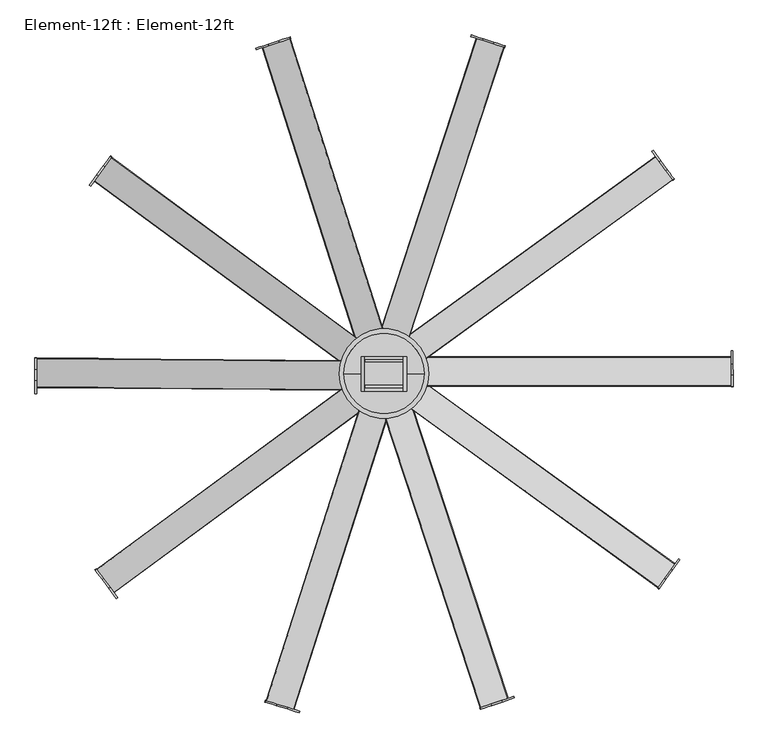
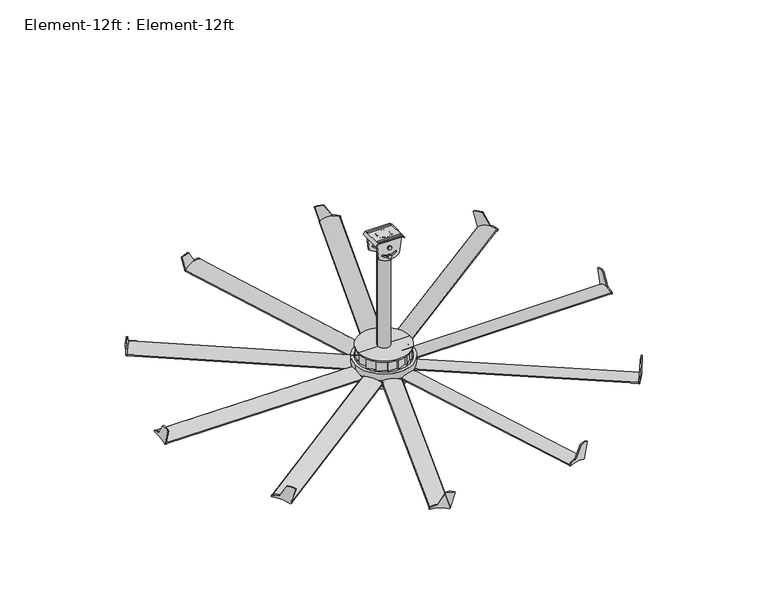
"""IFC4 building model written with IfcOpenShell, lengths in millimetres: proxy geometry, Element-12ft : Element-12ft."""

from ifc_helpers import new_model, si_unit, point, frame, frame_2d, origin, place, context, project, spatial, polyline, circle_curve, ellipse_curve, trimmed, segment, composite_curve, outline, extrude, source, transform, mapped, element, save
from ifc_brep_helpers import plane_surface, cylinder_surface, revolved_surface, advanced_brep


def element_12ft_element_12ft_73409b62(model_context):
    return source(origin(), model_context, "Body", "SolidModel", [
        extrude(outline(composite_curve([segment(trimmed(circle_curve(frame_2d((13.7101403, 1826.5417395)), 241.3), [point((-227.5898597, 1826.5417395))], [point((255.0101403, 1826.5417395))], False, "CARTESIAN"), True, "CONTINUOUS"), segment(trimmed(circle_curve(frame_2d((13.7101403, 1826.5417395)), 241.3), [point((255.0101403, 1826.5417395))], [point((-227.5898597, 1826.5417395))], False, "CARTESIAN"), True, "CONTINUOUS")], self_intersect=False), holes=[composite_curve([segment(trimmed(circle_curve(frame_2d((13.7101403, 1826.5417395)), 215.9), [point((-202.1898597, 1826.5417395))], [point((229.6101403, 1826.5417395))], True, "CARTESIAN"), True, "CONTINUOUS"), segment(trimmed(circle_curve(frame_2d((13.7101403, 1826.5417395)), 215.9), [point((229.6101403, 1826.5417395))], [point((-202.1898597, 1826.5417395))], True, "CARTESIAN"), True, "CONTINUOUS")], self_intersect=False)]), frame((0.0, 0.0, -1186.9314775), z_axis=(0.0, 0.0, 1.0), x_axis=(1.0, 0.0, 0.0)), (0.0, 0.0, 1.0), 45.0863827),
        extrude(outline(composite_curve([segment(polyline([(-111.4788326, 0.0), (4.5255645, 0.0)]), True, "CONTINUOUS"), segment(trimmed(circle_curve(frame_2d((114.608858, -67.6092515)), 129.1872378), [point((4.5255645, 0.0))], [point((50.4989051, 44.5480324))], False, "CARTESIAN"), True, "CONTINUOUS"), segment(trimmed(circle_curve(frame_2d((53.4294796, 39.4211328)), 5.9053676), [point((50.4989051, 44.5480324))], [point((57.217206, 34.8905153))], False, "CARTESIAN"), True, "CONTINUOUS"), segment(trimmed(circle_curve(frame_2d((272.6459992, -137.1176536)), 275.6744005), [point((57.217206, 34.8905153))], [point((-0.2892894, -98.3529352))], True, "CARTESIAN"), True, "CONTINUOUS"), segment(trimmed(circle_curve(frame_2d((-5.1020283, -96.0567507)), 5.3324404), [point((-0.2892894, -98.3529352))], [point((-9.8717745, -98.4409576))], False, "CARTESIAN"), True, "CONTINUOUS"), segment(polyline([(-9.8717745, -98.4409576), (-140.9987182, -63.3055989)]), True, "CONTINUOUS"), segment(trimmed(circle_curve(frame_2d((3.3871789, -92.0983746)), 147.2287716), [point((-140.9987182, -63.3055989))], [point((-111.4788326, 0.0))], False, "CARTESIAN"), True, "CONTINUOUS")], self_intersect=False)), frame((-1502.7480916, 715.9723506, -1121.1097198), z_axis=(0.8010020307140027, 0.5986616296306655, 0.0), x_axis=(-0.3083335332474969, 0.41254654389798817, -0.8571673007021092)), (0.0, 0.0, 1.0), 9.0687534),
        extrude(outline(composite_curve([segment(trimmed(circle_curve(frame_2d((0.0, 275.6744005)), 275.6744005), [point((-273.2492733, 312.1601474))], [point((-253.9165105, 168.3301841))], True, "CARTESIAN"), True, "CONTINUOUS"), segment(trimmed(circle_curve(frame_2d((-259.8418462, 168.1466029)), 5.9281789), [point((-253.9165105, 168.3301841))], [point((-264.1020348, 164.0242131))], False, "CARTESIAN"), True, "CONTINUOUS"), segment(trimmed(circle_curve(frame_2d((-171.2637433, 253.859585)), 129.1872378), [point((-264.1020348, 164.0242131))], [point((-283.9819702, 316.9780745))], False, "CARTESIAN"), True, "CONTINUOUS"), segment(trimmed(circle_curve(frame_2d((-278.829429, 314.0928214)), 5.9053676), [point((-283.9819702, 316.9780745))], [point((-273.2492733, 312.1601474))], False, "CARTESIAN"), True, "CONTINUOUS")], self_intersect=False)), frame((-1344.3008225, 514.9339174, -1425.4337673), z_axis=(0.8054729333293024, 0.5926325621106973, 0.0), x_axis=(0.0, 0.0, -1.0)), (0.0, 0.0, 1.0), 1673.8103353),
        extrude(outline(composite_curve([segment(polyline([(-111.4788326, 0.0), (4.5255645, 0.0)]), True, "CONTINUOUS"), segment(trimmed(circle_curve(frame_2d((114.608858, -67.6092516)), 129.1872378), [point((4.5255645, 0.0))], [point((50.4989051, 44.5480324))], False, "CARTESIAN"), True, "CONTINUOUS"), segment(trimmed(circle_curve(frame_2d((53.4294797, 39.4211328)), 5.9053676), [point((50.4989051, 44.5480324))], [point((57.217206, 34.8905152))], False, "CARTESIAN"), True, "CONTINUOUS"), segment(trimmed(circle_curve(frame_2d((272.6459991, -137.1176536)), 275.6744005), [point((57.217206, 34.8905152))], [point((-0.2892894, -98.3529352))], True, "CARTESIAN"), True, "CONTINUOUS"), segment(trimmed(circle_curve(frame_2d((-5.1020284, -96.0567507)), 5.3324404), [point((-0.2892894, -98.3529352))], [point((-9.8717745, -98.4409576))], False, "CARTESIAN"), True, "CONTINUOUS"), segment(polyline([(-9.8717745, -98.4409576), (-140.9987182, -63.3055989)]), True, "CONTINUOUS"), segment(trimmed(circle_curve(frame_2d((3.3871789, -92.0983746)), 147.2287716), [point((-140.9987182, -63.3055989))], [point((-111.4788326, 0.0))], False, "CARTESIAN"), True, "CONTINUOUS")], self_intersect=False)), frame((-563.0962137, 37.7569592, -1121.1097198), z_axis=(0.2975732926521762, 0.9546989763795404, 0.0), x_axis=(-0.4917063229131237, 0.15326157579222482, -0.8571673007021086)), (0.0, 0.0, 1.0), 9.0687534),
        extrude(outline(composite_curve([segment(trimmed(circle_curve(frame_2d((0.0, 275.6744005)), 275.6744005), [point((-273.2492733, 312.1601474))], [point((-253.9165105, 168.330184))], True, "CARTESIAN"), True, "CONTINUOUS"), segment(trimmed(circle_curve(frame_2d((-259.8418462, 168.1466029)), 5.9281789), [point((-253.9165105, 168.330184))], [point((-264.1020348, 164.0242131))], False, "CARTESIAN"), True, "CONTINUOUS"), segment(trimmed(circle_curve(frame_2d((-171.2637433, 253.859585)), 129.1872378), [point((-264.1020348, 164.0242131))], [point((-283.9819702, 316.9780745))], False, "CARTESIAN"), True, "CONTINUOUS"), segment(trimmed(circle_curve(frame_2d((-278.829429, 314.0928214)), 5.9053676), [point((-283.9819702, 316.9780745))], [point((-273.2492733, 312.1601474))], False, "CARTESIAN"), True, "CONTINUOUS")], self_intersect=False)), frame((-316.8468798, -32.123326, -1425.4337673), z_axis=(0.3047307405575979, 0.9524385417228862, 0.0), x_axis=(0.0, 0.0, -1.0)), (0.0, 0.0, 1.0), 1673.8103353),
        extrude(outline(composite_curve([segment(polyline([(-111.4788326, 0.0), (4.5255645, 0.0)]), True, "CONTINUOUS"), segment(trimmed(circle_curve(frame_2d((114.608858, -67.6092516)), 129.1872378), [point((4.5255645, 0.0))], [point((50.498905, 44.5480323))], False, "CARTESIAN"), True, "CONTINUOUS"), segment(trimmed(circle_curve(frame_2d((53.4294797, 39.4211328)), 5.9053676), [point((50.498905, 44.5480323))], [point((57.217206, 34.8905152))], False, "CARTESIAN"), True, "CONTINUOUS"), segment(trimmed(circle_curve(frame_2d((272.6459991, -137.1176537)), 275.6744005), [point((57.217206, 34.8905152))], [point((-0.2892894, -98.3529352))], True, "CARTESIAN"), True, "CONTINUOUS"), segment(trimmed(circle_curve(frame_2d((-5.1020284, -96.0567507)), 5.3324404), [point((-0.2892894, -98.3529352))], [point((-9.8717745, -98.4409576))], False, "CARTESIAN"), True, "CONTINUOUS"), segment(polyline([(-9.8717745, -98.4409576), (-140.9987182, -63.3055989)]), True, "CONTINUOUS"), segment(trimmed(circle_curve(frame_2d((3.3871788, -92.0983746)), 147.2287716), [point((-140.9987182, -63.3055989))], [point((-111.4788326, 0.0))], False, "CARTESIAN"), True, "CONTINUOUS")], self_intersect=False)), frame((595.7472664, 39.6430625, -1121.1097198), z_axis=(-0.318993729761716, 0.9477568255479405, 0.0), x_axis=(-0.48813085091308106, -0.16429391648485422, -0.8571673007021087)), (0.0, 0.0, 1.0), 9.0687534),
        extrude(outline(composite_curve([segment(trimmed(circle_curve(frame_2d((0.0, 275.6744004)), 275.6744005), [point((-273.2492733, 312.1601474))], [point((-253.9165105, 168.3301839))], True, "CARTESIAN"), True, "CONTINUOUS"), segment(trimmed(circle_curve(frame_2d((-259.8418462, 168.1466028)), 5.9281789), [point((-253.9165105, 168.3301839))], [point((-264.1020348, 164.024213))], False, "CARTESIAN"), True, "CONTINUOUS"), segment(trimmed(circle_curve(frame_2d((-171.2637433, 253.8595849)), 129.1872378), [point((-264.1020348, 164.024213))], [point((-283.9819702, 316.9780744))], False, "CARTESIAN"), True, "CONTINUOUS"), segment(trimmed(circle_curve(frame_2d((-278.829429, 314.0928214)), 5.9053676), [point((-283.9819702, 316.9780744))], [point((-273.2492733, 312.1601474))], False, "CARTESIAN"), True, "CONTINUOUS")], self_intersect=False)), frame((836.1739082, 127.4896253, -1425.4337673), z_axis=(-0.3118710203518957, 0.9501244479880873, 0.0), x_axis=(0.0, 0.0, -1.0)), (0.0, 0.0, 1.0), 1673.8103353),
        extrude(outline(composite_curve([segment(polyline([(-111.4788326, -1e-07), (4.5255645, 0.0)]), True, "CONTINUOUS"), segment(trimmed(circle_curve(frame_2d((114.608858, -67.6092515)), 129.1872378), [point((4.5255645, 0.0))], [point((50.498905, 44.5480323))], False, "CARTESIAN"), True, "CONTINUOUS"), segment(trimmed(circle_curve(frame_2d((53.4294797, 39.4211328)), 5.9053676), [point((50.498905, 44.5480323))], [point((57.217206, 34.8905152))], False, "CARTESIAN"), True, "CONTINUOUS"), segment(trimmed(circle_curve(frame_2d((272.6459991, -137.1176537)), 275.6744005), [point((57.217206, 34.8905152))], [point((-0.2892894, -98.3529352))], True, "CARTESIAN"), True, "CONTINUOUS"), segment(trimmed(circle_curve(frame_2d((-5.1020284, -96.0567508)), 5.3324404), [point((-0.2892894, -98.3529352))], [point((-9.8717745, -98.4409576))], False, "CARTESIAN"), True, "CONTINUOUS"), segment(polyline([(-9.8717745, -98.4409576), (-140.9987182, -63.3055989)]), True, "CONTINUOUS"), segment(trimmed(circle_curve(frame_2d((3.3871788, -92.0983746)), 147.2287716), [point((-140.9987182, -63.3055989))], [point((-111.4788326, -1e-07))], False, "CARTESIAN"), True, "CONTINUOUS")], self_intersect=False)), frame((1533.1864807, 720.9135582, -1121.1097198), z_axis=(-0.8142783515184635, 0.5804746043095887, 0.0), x_axis=(-0.29896652273778856, -0.41938435460700535, -0.8571673007021098)), (0.0, 0.0, 1.0), 9.0687534),
        extrude(outline(composite_curve([segment(trimmed(circle_curve(frame_2d((0.0, 275.6744005)), 275.6744005), [point((-273.2492733, 312.1601474))], [point((-253.9165105, 168.330184))], True, "CARTESIAN"), True, "CONTINUOUS"), segment(trimmed(circle_curve(frame_2d((-259.8418462, 168.1466028)), 5.9281789), [point((-253.9165105, 168.330184))], [point((-264.1020348, 164.024213))], False, "CARTESIAN"), True, "CONTINUOUS"), segment(trimmed(circle_curve(frame_2d((-171.2637433, 253.8595849)), 129.1872378), [point((-264.1020348, 164.024213))], [point((-283.9819702, 316.9780745))], False, "CARTESIAN"), True, "CONTINUOUS"), segment(trimmed(circle_curve(frame_2d((-278.829429, 314.0928213)), 5.9053676), [point((-283.9819702, 316.9780745))], [point((-273.2492733, 312.1601474))], False, "CARTESIAN"), True, "CONTINUOUS")], self_intersect=False)), frame((1676.3794792, 933.0874347, -1425.4337673), z_axis=(-0.809898456706717, 0.5865701064869213, 0.0), x_axis=(0.0, 0.0, -1.0)), (0.0, 0.0, 1.0), 1673.8103353),
        extrude(outline(composite_curve([segment(trimmed(circle_curve(frame_2d((-3.3871789, -92.0983746)), 147.2287716), [point((111.4788325, 0.0))], [point((140.9987182, -63.3055989))], False, "CARTESIAN"), True, "CONTINUOUS"), segment(polyline([(140.9987182, -63.3055989), (9.8717745, -98.4409575)]), True, "CONTINUOUS"), segment(trimmed(circle_curve(frame_2d((5.1020284, -96.0567507)), 5.3324404), [point((9.8717745, -98.4409575))], [point((0.2892893, -98.3529351))], False, "CARTESIAN"), True, "CONTINUOUS"), segment(trimmed(circle_curve(frame_2d((-272.6459992, -137.1176536)), 275.6744005), [point((0.2892893, -98.3529351))], [point((-57.217206, 34.8905152))], True, "CARTESIAN"), True, "CONTINUOUS"), segment(trimmed(circle_curve(frame_2d((-53.4294796, 39.4211328)), 5.9053676), [point((-57.217206, 34.8905152))], [point((-50.4989051, 44.5480324))], False, "CARTESIAN"), True, "CONTINUOUS"), segment(trimmed(circle_curve(frame_2d((-114.608858, -67.6092515)), 129.1872378), [point((-50.4989051, 44.5480324))], [point((-4.5255645, 0.0))], False, "CARTESIAN"), True, "CONTINUOUS"), segment(polyline([(-4.5255645, 0.0), (111.4788325, 0.0)]), True, "CONTINUOUS")], self_intersect=False)), frame((1883.7356485, 1822.4792323, -1121.1097198), z_axis=(0.9999718306873226, 0.007505853172347088, 0.0), x_axis=(-0.0038658001684432107, 0.5150235666414871, 0.8571673007021089)), (0.0, 0.0, 1.0), 9.0687534),
        extrude(outline(composite_curve([segment(trimmed(circle_curve(frame_2d((1764.2865072, -1146.6043383)), 5.9053676), [point((1766.2191811, -1152.184494))], [point((1761.401254, -1141.4517971))], False, "CARTESIAN"), True, "CONTINUOUS"), segment(trimmed(circle_curve(frame_2d((1824.5197436, -1254.170024)), 129.1872378), [point((1761.401254, -1141.4517971))], [point((1914.3551155, -1161.3317325))], False, "CARTESIAN"), True, "CONTINUOUS"), segment(trimmed(circle_curve(frame_2d((1910.2327256, -1165.5919211)), 5.9281789), [point((1914.3551155, -1161.3317325))], [point((1910.0491445, -1171.5172568))], False, "CARTESIAN"), True, "CONTINUOUS"), segment(trimmed(circle_curve(frame_2d((1802.7049281, -1425.4337673)), 275.6744005), [point((1910.0491445, -1171.5172568))], [point((1766.2191811, -1152.184494))], True, "CARTESIAN"), True, "CONTINUOUS")], self_intersect=False)), frame((210.5107462, 0.0, 0.0), z_axis=(1.0, 0.0, 0.0), x_axis=(0.0, 1.0, 0.0)), (0.0, 0.0, 1.0), 1673.8103353),
        extrude(outline(composite_curve([segment(trimmed(circle_curve(frame_2d((-3.3871788, -92.0983747)), 147.2287716), [point((111.4788326, -1e-07))], [point((140.9987182, -63.305599))], False, "CARTESIAN"), True, "CONTINUOUS"), segment(polyline([(140.9987182, -63.305599), (9.8717745, -98.4409576)]), True, "CONTINUOUS"), segment(trimmed(circle_curve(frame_2d((5.1020284, -96.0567507)), 5.3324404), [point((9.8717745, -98.4409576))], [point((0.2892894, -98.3529352))], False, "CARTESIAN"), True, "CONTINUOUS"), segment(trimmed(circle_curve(frame_2d((-272.6459991, -137.1176537)), 275.6744005), [point((0.2892894, -98.3529352))], [point((-57.2172059, 34.8905152))], True, "CARTESIAN"), True, "CONTINUOUS"), segment(trimmed(circle_curve(frame_2d((-53.4294796, 39.4211328)), 5.9053676), [point((-57.2172059, 34.8905152))], [point((-50.498905, 44.5480323))], False, "CARTESIAN"), True, "CONTINUOUS"), segment(trimmed(circle_curve(frame_2d((-114.608858, -67.6092516)), 129.1872378), [point((-50.498905, 44.5480323))], [point((-4.5255645, 0.0))], False, "CARTESIAN"), True, "CONTINUOUS"), segment(polyline([(-4.5255645, 0.0), (111.4788326, -1e-07)]), True, "CONTINUOUS")], self_intersect=False)), frame((1530.5678817, 2920.325303, -1121.1097198), z_axis=(0.8054729333293066, 0.5926325621106913, 0.0), x_axis=(-0.30522833391850684, 0.414849228974085, 0.857167300702109)), (0.0, 0.0, 1.0), 9.0687534),
        extrude(outline(composite_curve([segment(trimmed(circle_curve(frame_2d((278.829429, 314.0928214)), 5.9053676), [point((273.2492733, 312.1601474))], [point((283.9819702, 316.9780745))], False, "CARTESIAN"), True, "CONTINUOUS"), segment(trimmed(circle_curve(frame_2d((171.2637433, 253.859585)), 129.1872378), [point((283.9819702, 316.9780745))], [point((264.1020348, 164.024213))], False, "CARTESIAN"), True, "CONTINUOUS"), segment(trimmed(circle_curve(frame_2d((259.8418462, 168.1466029)), 5.9281789), [point((264.1020348, 164.024213))], [point((253.9165105, 168.3301841))], False, "CARTESIAN"), True, "CONTINUOUS"), segment(trimmed(circle_curve(frame_2d((0.0, 275.6744005)), 275.6744005), [point((253.9165105, 168.3301841))], [point((273.2492733, 312.1601474))], True, "CARTESIAN"), True, "CONTINUOUS")], self_intersect=False)), frame((25.3222689, 2146.114687, -1425.4337673), z_axis=(0.8098984567067813, 0.5865701064868325, 0.0), x_axis=(0.0, 0.0, 1.0)), (0.0, 0.0, 1.0), 1673.8103353),
        extrude(outline(composite_curve([segment(trimmed(circle_curve(frame_2d((-3.3871788, -92.0983746)), 147.2287716), [point((111.4788326, 0.0))], [point((140.9987182, -63.3055989))], False, "CARTESIAN"), True, "CONTINUOUS"), segment(polyline([(140.9987182, -63.3055989), (9.8717744, -98.4409575)]), True, "CONTINUOUS"), segment(trimmed(circle_curve(frame_2d((5.1020283, -96.0567507)), 5.3324404), [point((9.8717744, -98.4409575))], [point((0.2892893, -98.3529351))], False, "CARTESIAN"), True, "CONTINUOUS"), segment(trimmed(circle_curve(frame_2d((-272.6459992, -137.1176536)), 275.6744005), [point((0.2892893, -98.3529351))], [point((-57.217206, 34.8905152))], True, "CARTESIAN"), True, "CONTINUOUS"), segment(trimmed(circle_curve(frame_2d((-53.4294797, 39.4211328)), 5.9053676), [point((-57.217206, 34.8905152))], [point((-50.498905, 44.5480324))], False, "CARTESIAN"), True, "CONTINUOUS"), segment(trimmed(circle_curve(frame_2d((-114.608858, -67.6092515)), 129.1872378), [point((-50.498905, 44.5480324))], [point((-4.5255645, 0.0))], False, "CARTESIAN"), True, "CONTINUOUS"), segment(polyline([(-4.5255645, 0.0), (111.4788326, 0.0)]), True, "CONTINUOUS")], self_intersect=False)), frame((600.5741657, 3602.3114869, -1121.1097198), z_axis=(0.3047307405576169, 0.9524385417228802, 0.0), x_axis=(-0.49054211299909756, 0.1569479339827121, 0.8571673007021086)), (0.0, 0.0, 1.0), 9.0687534),
        extrude(outline(composite_curve([segment(trimmed(circle_curve(frame_2d((278.829429, 314.0928214)), 5.9053676), [point((273.2492733, 312.1601474))], [point((283.9819702, 316.9780744))], False, "CARTESIAN"), True, "CONTINUOUS"), segment(trimmed(circle_curve(frame_2d((171.2637433, 253.8595849)), 129.1872378), [point((283.9819702, 316.9780744))], [point((264.1020348, 164.0242131))], False, "CARTESIAN"), True, "CONTINUOUS"), segment(trimmed(circle_curve(frame_2d((259.8418462, 168.1466028)), 5.9281789), [point((264.1020348, 164.0242131))], [point((253.9165105, 168.330184))], False, "CARTESIAN"), True, "CONTINUOUS"), segment(trimmed(circle_curve(frame_2d((0.0, 275.6744004)), 275.6744005), [point((253.9165105, 168.330184))], [point((273.2492733, 312.1601474))], True, "CARTESIAN"), True, "CONTINUOUS")], self_intersect=False)), frame((-164.3931295, 2092.3474244, -1425.4337673), z_axis=(0.31187102035201186, 0.9501244479880491, 0.0), x_axis=(0.0, 0.0, 1.0)), (0.0, 0.0, 1.0), 1673.8103353),
        extrude(outline(composite_curve([segment(trimmed(circle_curve(frame_2d((-3.3871788, -92.0983747)), 147.2287716), [point((111.4788326, -1e-07))], [point((140.9987182, -63.3055989))], False, "CARTESIAN"), True, "CONTINUOUS"), segment(polyline([(140.9987182, -63.3055989), (9.8717745, -98.4409576)]), True, "CONTINUOUS"), segment(trimmed(circle_curve(frame_2d((5.1020283, -96.0567507)), 5.3324404), [point((9.8717745, -98.4409576))], [point((0.2892894, -98.3529352))], False, "CARTESIAN"), True, "CONTINUOUS"), segment(trimmed(circle_curve(frame_2d((-272.6459991, -137.1176537)), 275.6744005), [point((0.2892894, -98.3529352))], [point((-57.2172059, 34.8905152))], True, "CARTESIAN"), True, "CONTINUOUS"), segment(trimmed(circle_curve(frame_2d((-53.4294796, 39.4211327)), 5.9053676), [point((-57.2172059, 34.8905152))], [point((-50.498905, 44.5480323))], False, "CARTESIAN"), True, "CONTINUOUS"), segment(trimmed(circle_curve(frame_2d((-114.6088579, -67.6092516)), 129.1872378), [point((-50.498905, 44.5480323))], [point((-4.5255644, -1e-07))], False, "CARTESIAN"), True, "CONTINUOUS"), segment(polyline([(-4.5255644, -1e-07), (111.4788326, -1e-07)]), True, "CONTINUOUS")], self_intersect=False)), frame((-552.659018, 3609.1445317, -1121.1097198), z_axis=(-0.31187102035187725, 0.9501244479880935, 0.0), x_axis=(-0.48935026661677133, -0.1606254499422671, 0.8571673007021086)), (0.0, 0.0, 1.0), 9.0687534),
        extrude(outline(composite_curve([segment(trimmed(circle_curve(frame_2d((278.829429, 314.0928214)), 5.9053676), [point((273.2492733, 312.1601474))], [point((283.9819702, 316.9780746))], False, "CARTESIAN"), True, "CONTINUOUS"), segment(trimmed(circle_curve(frame_2d((171.2637433, 253.859585)), 129.1872378), [point((283.9819702, 316.9780746))], [point((264.1020348, 164.0242131))], False, "CARTESIAN"), True, "CONTINUOUS"), segment(trimmed(circle_curve(frame_2d((259.8418462, 168.1466029)), 5.9281789), [point((264.1020348, 164.0242131))], [point((253.9165105, 168.330184))], False, "CARTESIAN"), True, "CONTINUOUS"), segment(trimmed(circle_curve(frame_2d((0.0, 275.6744005)), 275.6744005), [point((253.9165105, 168.330184))], [point((273.2492733, 312.1601474))], True, "CARTESIAN"), True, "CONTINUOUS")], self_intersect=False)), frame((-286.505069, 1937.52002, -1425.4337673), z_axis=(-0.30473074055748184, 0.9524385417229233, 0.0), x_axis=(0.0, 0.0, 1.0)), (0.0, 0.0, 1.0), 1673.8103353),
        extrude(outline(composite_curve([segment(trimmed(circle_curve(frame_2d((-3.3871788, -92.0983746)), 147.2287716), [point((111.4788326, 0.0))], [point((140.9987182, -63.3055989))], False, "CARTESIAN"), True, "CONTINUOUS"), segment(polyline([(140.9987182, -63.3055989), (9.8717745, -98.4409576)]), True, "CONTINUOUS"), segment(trimmed(circle_curve(frame_2d((5.1020283, -96.0567507)), 5.3324404), [point((9.8717745, -98.4409576))], [point((0.2892894, -98.3529351))], False, "CARTESIAN"), True, "CONTINUOUS"), segment(trimmed(circle_curve(frame_2d((-272.6459991, -137.1176537)), 275.6744005), [point((0.2892894, -98.3529351))], [point((-57.217206, 34.8905153))], True, "CARTESIAN"), True, "CONTINUOUS"), segment(trimmed(circle_curve(frame_2d((-53.4294797, 39.4211328)), 5.9053676), [point((-57.217206, 34.8905153))], [point((-50.498905, 44.5480324))], False, "CARTESIAN"), True, "CONTINUOUS"), segment(trimmed(circle_curve(frame_2d((-114.608858, -67.6092515)), 129.1872378), [point((-50.498905, 44.5480324))], [point((-4.5255645, 0.0))], False, "CARTESIAN"), True, "CONTINUOUS"), segment(polyline([(-4.5255645, 0.0), (111.4788326, 0.0)]), True, "CONTINUOUS")], self_intersect=False)), frame((-1490.6688536, 2938.2264927, -1121.1097198), z_axis=(-0.8098984567067055, 0.5865701064869371, 0.0), x_axis=(-0.30210593844482136, -0.41712854201485067, 0.8571673007021084)), (0.0, 0.0, 1.0), 9.0687534),
        extrude(outline(composite_curve([segment(trimmed(circle_curve(frame_2d((278.829429, 314.0928214)), 5.9053676), [point((273.2492733, 312.1601474))], [point((283.9819702, 316.9780745))], False, "CARTESIAN"), True, "CONTINUOUS"), segment(trimmed(circle_curve(frame_2d((171.2637433, 253.859585)), 129.1872378), [point((283.9819702, 316.9780745))], [point((264.1020348, 164.0242132))], False, "CARTESIAN"), True, "CONTINUOUS"), segment(trimmed(circle_curve(frame_2d((259.8418462, 168.1466029)), 5.9281789), [point((264.1020348, 164.0242132))], [point((253.9165105, 168.3301841))], False, "CARTESIAN"), True, "CONTINUOUS"), segment(trimmed(circle_curve(frame_2d((0.0, 275.6744005)), 275.6744005), [point((253.9165105, 168.3301841))], [point((273.2492733, 312.1601474))], True, "CARTESIAN"), True, "CONTINUOUS")], self_intersect=False)), frame((-294.5862132, 1740.4983307, -1425.4337673), z_axis=(-0.8054729333292301, 0.5926325621107953, 0.0), x_axis=(0.0, 0.0, 1.0)), (0.0, 0.0, 1.0), 1673.8103353),
        extrude(outline(composite_curve([segment(polyline([(1787.2266359, -1025.5537098), (1846.9733173, -1124.9888857)]), True, "CONTINUOUS"), segment(trimmed(circle_curve(frame_2d((1845.7179652, -1254.170024)), 129.1872378), [point((1846.9733173, -1124.9888857))], [point((1908.8364547, -1141.4517971))], False, "CARTESIAN"), True, "CONTINUOUS"), segment(trimmed(circle_curve(frame_2d((1905.9512016, -1146.6043383)), 5.9053676), [point((1908.8364547, -1141.4517971))], [point((1904.0185276, -1152.184494))], False, "CARTESIAN"), True, "CONTINUOUS"), segment(trimmed(circle_curve(frame_2d((1867.5327807, -1425.4337673)), 275.6744005), [point((1904.0185276, -1152.184494))], [point((1760.1885643, -1171.5172568))], True, "CARTESIAN"), True, "CONTINUOUS"), segment(trimmed(circle_curve(frame_2d((1759.6780347, -1166.2093119)), 5.3324404), [point((1760.1885643, -1171.5172568))], [point((1755.1777696, -1163.3487988))], False, "CARTESIAN"), True, "CONTINUOUS"), segment(polyline([(1755.1777696, -1163.3487988), (1717.7592815, -1032.8550229)]), True, "CONTINUOUS"), segment(trimmed(circle_curve(frame_2d((1767.4432902, -1171.4472683)), 147.2287716), [point((1717.7592815, -1032.8550229))], [point((1787.2266359, -1025.5537098))], False, "CARTESIAN"), True, "CONTINUOUS")], self_intersect=False)), frame((-1865.8898597, 0.0, 0.0), z_axis=(1.0, 0.0, 0.0), x_axis=(0.0, 1.0, 0.0)), (0.0, 0.0, 1.0), 9.0687534),
        extrude(outline(composite_curve([segment(trimmed(circle_curve(frame_2d((278.829429, 314.0928214)), 5.9053676), [point((273.2492733, 312.1601473))], [point((283.9819702, 316.9780745))], False, "CARTESIAN"), True, "CONTINUOUS"), segment(trimmed(circle_curve(frame_2d((171.2637433, 253.859585)), 129.1872378), [point((283.9819702, 316.9780745))], [point((264.1020348, 164.024213))], False, "CARTESIAN"), True, "CONTINUOUS"), segment(trimmed(circle_curve(frame_2d((259.8418462, 168.1466029)), 5.9281789), [point((264.1020348, 164.024213))], [point((253.9165105, 168.330184))], False, "CARTESIAN"), True, "CONTINUOUS"), segment(trimmed(circle_curve(frame_2d((0.0, 275.6744005)), 275.6744005), [point((253.9165105, 168.330184))], [point((273.2492733, 312.1601473))], True, "CARTESIAN"), True, "CONTINUOUS")], self_intersect=False)), frame((-185.5640862, 1576.1906111, -1425.4337673), z_axis=(-0.9999718306873215, 0.007505853172476207, 0.0), x_axis=(0.0, 0.0, 1.0)), (0.0, 0.0, 1.0), 1673.8103353),
        extrude(outline(composite_curve([segment(trimmed(circle_curve(frame_2d((-77.6494519, 13.7101403)), 6.35), [point((-77.6494519, 7.3601403))], [point((-77.6494519, 20.0601403))], False, "CARTESIAN"), True, "CONTINUOUS"), segment(trimmed(circle_curve(frame_2d((-77.6494519, 13.7101403)), 6.35), [point((-77.6494519, 20.0601403))], [point((-77.6494519, 7.3601403))], False, "CARTESIAN"), True, "CONTINUOUS")], self_intersect=False)), frame((0.0, 1763.8443547, 0.0), z_axis=(0.0, 1.0, 0.0), x_axis=(0.0, 0.0, 1.0)), (0.0, 0.0, 1.0), 125.1342784),
        extrude(outline(composite_curve([segment(trimmed(circle_curve(frame_2d((-154.6432019, 13.7101403)), 6.35), [point((-154.6432019, 7.3601403))], [point((-154.6432019, 20.0601403))], False, "CARTESIAN"), True, "CONTINUOUS"), segment(trimmed(circle_curve(frame_2d((-154.6432019, 13.7101403)), 6.35), [point((-154.6432019, 20.0601403))], [point((-154.6432019, 7.3601403))], False, "CARTESIAN"), True, "CONTINUOUS")], self_intersect=False)), frame((0.0, 1763.8443547, 0.0), z_axis=(0.0, 1.0, 0.0), x_axis=(0.0, 0.0, 1.0)), (0.0, 0.0, 1.0), 125.1342784),
        extrude(outline(composite_curve([segment(trimmed(circle_curve(frame_2d((-154.6432019, 13.7101403)), 15.4521941), [point((-154.6432019, -1.7420537))], [point((-154.6432019, 29.1623344))], False, "CARTESIAN"), True, "CONTINUOUS"), segment(trimmed(circle_curve(frame_2d((-154.6432019, 13.7101403)), 15.4521941), [point((-154.6432019, 29.1623344))], [point((-154.6432019, -1.7420537))], False, "CARTESIAN"), True, "CONTINUOUS")], self_intersect=False)), frame((0.0, 1739.1153484, 0.0), z_axis=(0.0, 1.0, 0.0), x_axis=(0.0, 0.0, 1.0)), (0.0, 0.0, 1.0), 11.074709),
        extrude(outline(composite_curve([segment(trimmed(circle_curve(frame_2d((-77.6494519, 13.7101403)), 15.4521941), [point((-77.6494519, -1.7420537))], [point((-77.6494519, 29.1623344))], False, "CARTESIAN"), True, "CONTINUOUS"), segment(trimmed(circle_curve(frame_2d((-77.6494519, 13.7101403)), 15.4521941), [point((-77.6494519, 29.1623344))], [point((-77.6494519, -1.7420537))], False, "CARTESIAN"), True, "CONTINUOUS")], self_intersect=False)), frame((0.0, 1739.1153484, 0.0), z_axis=(0.0, 1.0, 0.0), x_axis=(0.0, 0.0, 1.0)), (0.0, 0.0, 1.0), 11.074709),
        extrude(outline(composite_curve([segment(trimmed(circle_curve(frame_2d((-77.6494519, 13.7101403)), 15.4521941), [point((-77.6494519, -1.7420537))], [point((-77.6494519, 29.1623344))], False, "CARTESIAN"), True, "CONTINUOUS"), segment(trimmed(circle_curve(frame_2d((-77.6494519, 13.7101403)), 15.4521941), [point((-77.6494519, 29.1623344))], [point((-77.6494519, -1.7420537))], False, "CARTESIAN"), True, "CONTINUOUS")], self_intersect=False)), frame((0.0, 1901.8061794, 0.0), z_axis=(0.0, 1.0, 0.0), x_axis=(0.0, 0.0, 1.0)), (0.0, 0.0, 1.0), 10.3246104),
        extrude(outline(composite_curve([segment(trimmed(circle_curve(frame_2d((-154.6432019, 13.7101403)), 15.4521941), [point((-154.6432019, -1.7420537))], [point((-154.6432019, 29.1623344))], False, "CARTESIAN"), True, "CONTINUOUS"), segment(trimmed(circle_curve(frame_2d((-154.6432019, 13.7101403)), 15.4521941), [point((-154.6432019, 29.1623344))], [point((-154.6432019, -1.7420537))], False, "CARTESIAN"), True, "CONTINUOUS")], self_intersect=False)), frame((0.0, 1901.8061794, 0.0), z_axis=(0.0, 1.0, 0.0), x_axis=(0.0, 0.0, 1.0)), (0.0, 0.0, 1.0), 10.3246104),
        extrude(outline(composite_curve([segment(polyline([(-31.7499914, -87.2960621), (-155.6454777, -72.0836092)]), True, "CONTINUOUS"), segment(trimmed(circle_curve(frame_2d((-65.4746538, 13.5379572)), 124.3456076), [point((-155.6454777, -72.0836092))], [point((-155.6454777, 99.1595236))], False, "CARTESIAN"), True, "CONTINUOUS"), segment(polyline([(-155.6454777, 99.1595236), (-35.8947845, 113.8630599), (6.2e-06, 113.8630599), (6.2e-06, -87.2960621), (-31.7499914, -87.2960621)]), True, "CONTINUOUS")], self_intersect=False), holes=[composite_curve([segment(trimmed(circle_curve(frame_2d((-132.3448484, 66.735609)), 7.2634992), [point((-125.9130793, 63.360588))], [point((-137.5535228, 71.7980325))], True, "CARTESIAN"), True, "CONTINUOUS"), segment(trimmed(circle_curve(frame_2d((-77.7875003, 13.7101403)), 83.34375), [point((-137.5535228, 71.7980325))], [point((-137.6314922, -44.2974221))], True, "CARTESIAN"), True, "CONTINUOUS"), segment(trimmed(circle_curve(frame_2d((-132.0888178, -39.7516156)), 7.1683747), [point((-137.6314922, -44.2974221))], [point((-126.6176429, -35.1200023))], True, "CARTESIAN"), True, "CONTINUOUS"), segment(trimmed(circle_curve(frame_2d((-68.9361761, 13.7101403)), 75.5746945), [point((-126.6176429, -35.1200023))], [point((-125.9130793, 63.360588))], False, "CARTESIAN"), True, "CONTINUOUS")], self_intersect=False)]), frame((0.0, 1888.9786331, 0.0), z_axis=(0.0, 1.0, 0.0), x_axis=(0.0, 0.0, 1.0)), (0.0, 0.0, 1.0), 12.8275463),
        extrude(outline(composite_curve([segment(polyline([(-31.7499914, -87.2960621), (-155.6454777, -72.0836092)]), True, "CONTINUOUS"), segment(trimmed(circle_curve(frame_2d((-65.4746538, 13.5379572)), 124.3456076), [point((-155.6454777, -72.0836092))], [point((-155.6454777, 99.1595236))], False, "CARTESIAN"), True, "CONTINUOUS"), segment(polyline([(-155.6454777, 99.1595236), (-35.8947845, 113.8630599), (6.2e-06, 113.8630599), (6.2e-06, -87.2960621), (-31.7499914, -87.2960621)]), True, "CONTINUOUS")], self_intersect=False), holes=[composite_curve([segment(trimmed(circle_curve(frame_2d((-132.3448484, 66.735609)), 7.2634992), [point((-125.9130793, 63.360588))], [point((-137.5535228, 71.7980325))], True, "CARTESIAN"), True, "CONTINUOUS"), segment(trimmed(circle_curve(frame_2d((-77.7875003, 13.7101403)), 83.34375), [point((-137.5535228, 71.7980325))], [point((-137.6314922, -44.2974221))], True, "CARTESIAN"), True, "CONTINUOUS"), segment(trimmed(circle_curve(frame_2d((-132.0888178, -39.7516156)), 7.1683747), [point((-137.6314922, -44.2974221))], [point((-126.6176429, -35.1200023))], True, "CARTESIAN"), True, "CONTINUOUS"), segment(trimmed(circle_curve(frame_2d((-68.9361761, 13.7101403)), 75.5746945), [point((-126.6176429, -35.1200023))], [point((-125.9130793, 63.360588))], False, "CARTESIAN"), True, "CONTINUOUS")], self_intersect=False)]), frame((0.0, 1750.1900574, 0.0), z_axis=(0.0, 1.0, 0.0), x_axis=(0.0, 0.0, 1.0)), (0.0, 0.0, 1.0), 13.6542973),
        extrude(outline(polyline([(-23.5254951, -103.9551372), (-5.5649829, -85.994625), (-5.5649829, 113.9459967), (-23.2599531, 131.6409669), (-18.769825, 136.1310949), (0.0, 117.3612699), (0.0, -89.4098982), (-19.035367, -108.4452653), (-23.5254951, -103.9551372)])), frame((0.0, 1731.7573687, 0.0), z_axis=(0.0, 1.0, 0.0), x_axis=(0.0, 0.0, 1.0)), (0.0, 0.0, 1.0), 186.3226089),
        extrude(outline(composite_curve([segment(trimmed(circle_curve(frame_2d((13.7101403, 1826.5417395)), 50.8), [point((-37.0898597, 1826.5417395))], [point((64.5101403, 1826.5417395))], False, "CARTESIAN"), True, "CONTINUOUS"), segment(trimmed(circle_curve(frame_2d((13.7101403, 1826.5417395)), 50.8), [point((64.5101403, 1826.5417395))], [point((-37.0898597, 1826.5417395))], False, "CARTESIAN"), True, "CONTINUOUS")], self_intersect=False), holes=[composite_curve([segment(trimmed(circle_curve(frame_2d((13.7101403, 1826.5417395)), 44.45), [point((-30.7398597, 1826.5417395))], [point((58.1601403, 1826.5417395))], True, "CARTESIAN"), True, "CONTINUOUS"), segment(trimmed(circle_curve(frame_2d((13.7101403, 1826.5417395)), 44.45), [point((58.1601403, 1826.5417395))], [point((-30.7398597, 1826.5417395))], True, "CARTESIAN"), True, "CONTINUOUS")], self_intersect=False)]), frame((0.0, 0.0, -1084.0568039), z_axis=(0.0, 0.0, 1.0), x_axis=(1.0, 0.0, 0.0)), (0.0, 0.0, 1.0), 1084.0568101),
        advanced_brep(
        [(218.4976403, 1826.5417395, -1000.7582672), (-191.0773597, 1826.5417395, -1000.7582672), (-201.8162227, 1826.5417395, -984.2218683), (229.2365033, 1826.5417395, -984.2218683), (13.7101403, 1826.5417395, -1000.7582672), (13.7101403, 1826.5417395, -984.2218683)],
        [
            (0, 1, circle_curve(frame((13.7101403, 1826.5417395, -1000.7582672), z_axis=(0.0, 0.0, 1.0), x_axis=(-1.0, 0.0, 0.0)), 204.7875)),
            (1, 2, circle_curve(frame((-186.0410292, 1826.5417395, -985.7324869), z_axis=(0.0, 1.0, 0.0), x_axis=(1.0, 0.0, 0.0)), 15.8473562)),
            (2, 3, circle_curve(frame((13.7101403, 1826.5417395, -984.2218683), z_axis=(0.0, 0.0, -1.0), x_axis=(-1.0, 0.0, 0.0)), 215.526363)),
            (3, 0, circle_curve(frame((213.4613099, 1826.5417395, -985.7324869), z_axis=(0.0, 1.0, 0.0), x_axis=(-1.0, 0.0, 0.0)), 15.8473562)),
            (1, 0, circle_curve(frame((13.7101403, 1826.5417395, -1000.7582672), z_axis=(0.0, 0.0, 1.0), x_axis=(-1.0, 0.0, 0.0)), 204.7875)),
            (3, 2, circle_curve(frame((13.7101403, 1826.5417395, -984.2218683), z_axis=(0.0, 0.0, -1.0), x_axis=(-1.0, 0.0, 0.0)), 215.526363)),
            (4, 1),
            (0, 4),
            (2, 5),
            (5, 3),
        ],
        [
            revolved_surface(trimmed(ellipse_curve(frame((-186.0410292, 1826.5417395, -985.7324869), z_axis=(0.0, -1.0, 0.0), x_axis=(1.0, 0.0, 0.0)), 15.8473562, 15.8473562), [point((-201.8162227, 1826.5417395, -984.2218683))], [point((-191.0773597, 1826.5417395, -1000.7582672))], True, "CARTESIAN"), (13.7101403, 1826.5417395, -922.812788), (0.0, 0.0, -1.0)),
            plane_surface(frame((13.7101403, 1826.5417395, -1000.7582672), z_axis=(0.0, 0.0, -1.0), x_axis=(-1.0, 0.0, 0.0))),
            plane_surface(frame((13.7101403, 1826.5417395, -984.2218683), z_axis=(0.0, 0.0, 1.0), x_axis=(-1.0, 0.0, 0.0))),
        ],
        [
            (0, [[1, 2, 3, 4]]),
            (0, [[5, -4, 6, -2]]),
            (1, [[7, -1, 8]]),
            (1, [[-8, -5, -7]]),
            (2, [[-3, 9, 10]]),
            (2, [[-6, -10, -9]]),
        ],
    ),
        advanced_brep(
        [(83.6427113, 1826.5417395, -1309.7131815), (-56.2224306, 1826.5417395, -1309.7131815), (-69.8075888, 1826.5417395, -1309.7131815), (97.2278694, 1826.5417395, -1309.7131815), (13.7101403, 1826.5417395, -1319.5415634), (97.2278694, 1826.5417395, -1304.8331975), (-69.8075888, 1826.5417395, -1304.8331975), (13.7101403, 1826.5417395, -1304.8331975)],
        [
            (0, 1, circle_curve(frame((13.7101403, 1826.5417395, -1309.7131815), z_axis=(0.0, 0.0, 1.0), x_axis=(-1.0, 0.0, 0.0)), 69.9325709)),
            (1, 2),
            (2, 3, circle_curve(frame((13.7101403, 1826.5417395, -1309.7131815), z_axis=(0.0, 0.0, -1.0), x_axis=(-1.0, 0.0, 0.0)), 83.5177291)),
            (3, 0),
            (1, 0, circle_curve(frame((13.7101403, 1826.5417395, -1309.7131815), z_axis=(0.0, 0.0, 1.0), x_axis=(-1.0, 0.0, 0.0)), 69.9325709)),
            (3, 2, circle_curve(frame((13.7101403, 1826.5417395, -1309.7131815), z_axis=(0.0, 0.0, -1.0), x_axis=(-1.0, 0.0, 0.0)), 83.5177291)),
            (4, 1, circle_curve(frame((3.2303359, 1826.5417395, -1140.3970062), z_axis=(0.0, 1.0, 0.0), x_axis=(1.0, 0.0, 0.0)), 179.4508252)),
            (0, 4, circle_curve(frame((24.1899447, 1826.5417395, -1140.3970062), z_axis=(0.0, 1.0, 0.0), x_axis=(-1.0, 0.0, 0.0)), 179.4508252)),
            (5, 6, circle_curve(frame((13.7101403, 1826.5417395, -1304.8331975), z_axis=(0.0, 0.0, 1.0), x_axis=(-1.0, 0.0, 0.0)), 83.5177291)),
            (6, 7),
            (7, 5),
            (6, 5, circle_curve(frame((13.7101403, 1826.5417395, -1304.8331975), z_axis=(0.0, 0.0, 1.0), x_axis=(-1.0, 0.0, 0.0)), 83.5177291)),
            (2, 6),
            (5, 3),
        ],
        [
            plane_surface(frame((13.7101403, 1826.5417395, -1309.7131815), z_axis=(0.0, 0.0, -1.0), x_axis=(-1.0, 0.0, 0.0))),
            revolved_surface(trimmed(ellipse_curve(frame((3.2303359, 1826.5417395, -1140.3970062), z_axis=(0.0, -1.0, 0.0), x_axis=(1.0, 0.0, 0.0)), 179.4508252, 179.4508252), [point((-56.2224306, 1826.5417395, -1309.7131815))], [point((13.7101403, 1826.5417395, -1319.5415634))], True, "CARTESIAN"), (13.7101403, 1826.5417395, -1266.1375804), (0.0, 0.0, -1.0)),
            plane_surface(frame((13.7101403, 1826.5417395, -1304.8331975), z_axis=(0.0, 0.0, 1.0), x_axis=(-1.0, 0.0, 0.0))),
            cylinder_surface(frame((13.7101403, 1826.5417395, -1266.1375804), z_axis=(0.0, 0.0, -1.0), x_axis=(-1.0, 0.0, 0.0)), 83.5177291),
        ],
        [
            (0, [[1, 2, 3, 4]]),
            (0, [[5, -4, 6, -2]]),
            (1, [[7, -1, 8]]),
            (1, [[-8, -5, -7]]),
            (2, [[9, 10, 11]]),
            (2, [[12, -11, -10]]),
            (3, [[-3, 13, -9, 14]]),
            (3, [[-6, -14, -12, -13]]),
        ],
    ),
        advanced_brep(
        [(14.0045986, 1826.5417395, -1186.9314775), (13.415682, 1826.5417395, -1186.9314775), (13.415682, 1826.5417395, -1314.8915894), (14.0045986, 1826.5417395, -1314.8915894), (255.0101403, 1826.5417395, -1186.9314775), (-227.5898597, 1826.5417395, -1186.9314775)],
        [
            (0, 1, circle_curve(frame((13.7101403, 1826.5417395, -1186.9314775), z_axis=(0.0, 0.0, 1.0), x_axis=(-1.0, 0.0, 0.0)), 0.2944583)),
            (1, 2),
            (2, 3, circle_curve(frame((13.7101403, 1826.5417395, -1314.8915894), z_axis=(0.0, 0.0, -1.0), x_axis=(-1.0, 0.0, 0.0)), 0.2944583)),
            (3, 0),
            (1, 0, circle_curve(frame((13.7101403, 1826.5417395, -1186.9314775), z_axis=(0.0, 0.0, 1.0), x_axis=(-1.0, 0.0, 0.0)), 0.2944583)),
            (3, 2, circle_curve(frame((13.7101403, 1826.5417395, -1314.8915894), z_axis=(0.0, 0.0, -1.0), x_axis=(-1.0, 0.0, 0.0)), 0.2944583)),
            (4, 5, circle_curve(frame((13.7101403, 1826.5417395, -1186.9314775), z_axis=(0.0, 0.0, 1.0), x_axis=(-1.0, 0.0, 0.0)), 241.3)),
            (5, 1),
            (0, 4),
            (5, 4, circle_curve(frame((13.7101403, 1826.5417395, -1186.9314775), z_axis=(0.0, 0.0, 1.0), x_axis=(-1.0, 0.0, 0.0)), 241.3)),
            (2, 5, circle_curve(frame((2.556806, 1826.5417395, -1044.4035376), z_axis=(0.0, 1.0, 0.0), x_axis=(1.0, 0.0, 0.0)), 270.7059315)),
            (4, 3, circle_curve(frame((24.8634746, 1826.5417395, -1044.4035376), z_axis=(0.0, 1.0, 0.0), x_axis=(-1.0, 0.0, 0.0)), 270.7059315)),
        ],
        [
            revolved_surface(polyline([(13.415682, 1826.5417395, -1314.8915894), (13.415682, 1826.5417395, -1186.9314775)]), (13.7101403, 1826.5417395, -1172.4661299), (0.0, 0.0, -1.0)),
            plane_surface(frame((13.7101403, 1826.5417395, -1186.9314775), z_axis=(0.0, 0.0, 1.0), x_axis=(-1.0, 0.0, 0.0))),
            revolved_surface(trimmed(ellipse_curve(frame((2.556806, 1826.5417395, -1044.4035376), z_axis=(0.0, -1.0, 0.0), x_axis=(1.0, 0.0, 0.0)), 270.7059315, 270.7059315), [point((-227.5898597, 1826.5417395, -1186.9314775))], [point((13.415682, 1826.5417395, -1314.8915894))], True, "CARTESIAN"), (13.7101403, 1826.5417395, -1172.4661299), (0.0, 0.0, -1.0)),
        ],
        [
            (0, [[1, 2, 3, 4]]),
            (0, [[5, -4, 6, -2]]),
            (1, [[7, 8, -1, 9]]),
            (1, [[10, -9, -5, -8]]),
            (2, [[-3, 11, -7, 12]]),
            (2, [[-6, -12, -10, -11]]),
        ],
    ),
        extrude(outline(polyline([(-178.989, 1826.5417395), (-178.989, 1906.3603368), (-164.3206514, 1900.2845079), (-134.4640857, 1974.7159654), (-122.5487285, 1962.8006083), (-66.1084571, 2019.2408798), (-60.0326281, 2004.5725311), (13.7101403, 2035.117786), (13.7101403, 2019.2408798), (93.5287377, 2019.2408798), (87.4529088, 2004.5725311), (161.1956772, 1974.0272763), (149.9690092, 1962.8006083), (206.4092807, 1906.3603368), (191.740932, 1900.2845079), (222.2861868, 1826.5417395), (206.4092807, 1826.5417395), (206.4092807, 1746.7231421), (191.740932, 1752.798971), (161.1956772, 1679.0562026), (149.9690092, 1690.2828706), (93.5287377, 1633.8425991), (87.4529088, 1648.5109478), (13.7101403, 1617.9656929), (13.7101403, 1633.8425991), (-66.1084571, 1633.8425991), (-60.0326281, 1648.5109478), (-133.7753966, 1679.0562026), (-122.5487285, 1690.2828706), (-178.989, 1746.7231421), (-164.3206514, 1752.798971), (-194.8659062, 1826.5417395), (-178.989, 1826.5417395)]), holes=[composite_curve([segment(trimmed(circle_curve(frame_2d((13.7101403, 1826.5417395)), 177.8), [point((-164.0898597, 1826.5417395))], [point((191.5101403, 1826.5417395))], True, "CARTESIAN"), True, "CONTINUOUS"), segment(trimmed(circle_curve(frame_2d((13.7101403, 1826.5417395)), 177.8), [point((191.5101403, 1826.5417395))], [point((-164.0898597, 1826.5417395))], True, "CARTESIAN"), True, "CONTINUOUS")], self_intersect=False)]), frame((0.0, 0.0, -1080.8818039), z_axis=(0.0, 0.0, 1.0), x_axis=(1.0, 0.0, 0.0)), (0.0, 0.0, 1.0), 78.7367092),
        extrude(outline(composite_curve([segment(trimmed(circle_curve(frame_2d((13.7101403, 1826.5417395)), 241.3), [point((-227.5898597, 1826.5417395))], [point((255.0101403, 1826.5417395))], False, "CARTESIAN"), True, "CONTINUOUS"), segment(trimmed(circle_curve(frame_2d((13.7101403, 1826.5417395)), 241.3), [point((255.0101403, 1826.5417395))], [point((-227.5898597, 1826.5417395))], False, "CARTESIAN"), True, "CONTINUOUS")], self_intersect=False), holes=[composite_curve([segment(trimmed(circle_curve(frame_2d((13.7101403, 1826.5417395)), 215.9), [point((-202.1898597, 1826.5417395))], [point((229.6101403, 1826.5417395))], True, "CARTESIAN"), True, "CONTINUOUS"), segment(trimmed(circle_curve(frame_2d((13.7101403, 1826.5417395)), 215.9), [point((229.6101403, 1826.5417395))], [point((-202.1898597, 1826.5417395))], True, "CARTESIAN"), True, "CONTINUOUS")], self_intersect=False)]), frame((0.0, 0.0, -1141.8450947), z_axis=(0.0, 0.0, 1.0), x_axis=(1.0, 0.0, 0.0)), (0.0, 0.0, 1.0), 60.9632908),
        advanced_brep(
        [(74.8288903, 1826.5417395, -32.4324962), (-47.4086097, 1826.5417395, -32.4324962), (-47.4086097, 1826.5417395, 6.2e-06), (74.8288903, 1826.5417395, 6.2e-06), (13.7101403, 1826.5417395, -60.9326373), (13.7101403, 1826.5417395, 6.2e-06)],
        [
            (0, 1, circle_curve(frame((13.7101403, 1826.5417395, -32.4324962), z_axis=(0.0, 0.0, 1.0), x_axis=(-1.0, 0.0, 0.0)), 61.11875)),
            (1, 2),
            (2, 3, circle_curve(frame((13.7101403, 1826.5417395, 6.2e-06), z_axis=(0.0, 0.0, -1.0), x_axis=(-1.0, 0.0, 0.0)), 61.11875)),
            (3, 0),
            (1, 0, circle_curve(frame((13.7101403, 1826.5417395, -32.4324962), z_axis=(0.0, 0.0, 1.0), x_axis=(-1.0, 0.0, 0.0)), 61.11875)),
            (3, 2, circle_curve(frame((13.7101403, 1826.5417395, 6.2e-06), z_axis=(0.0, 0.0, -1.0), x_axis=(-1.0, 0.0, 0.0)), 61.11875)),
            (4, 1),
            (0, 4),
            (2, 5),
            (5, 3),
        ],
        [
            cylinder_surface(frame((13.7101403, 1826.5417395, 76.2000062), z_axis=(0.0, 0.0, -1.0), x_axis=(-1.0, 0.0, 0.0)), 61.11875),
            revolved_surface(polyline([(-47.4086097, 1826.5417395, -32.4324962), (13.7101403, 1826.5417395, -60.9326373)]), (13.7101403, 1826.5417395, 76.2000062), (0.0, 0.0, -1.0)),
            plane_surface(frame((13.7101403, 1826.5417395, 6.2e-06), z_axis=(0.0, 0.0, 1.0), x_axis=(-1.0, 0.0, 0.0))),
        ],
        [
            (0, [[1, 2, 3, 4]]),
            (0, [[5, -4, 6, -2]]),
            (1, [[7, -1, 8]]),
            (1, [[-8, -5, -7]]),
            (2, [[-3, 9, 10]]),
            (2, [[-6, -10, -9]]),
        ],
    ),
    ])


if __name__ == "__main__":
    model = new_model("IFC4")
    model_context = context("Model", 3, world=origin())
    ifc_project = project(units=[si_unit("LENGTHUNIT", "METRE", prefix="MILLI")], contexts=[model_context])
    site = spatial("IfcSite", under=ifc_project)
    building = spatial("IfcBuilding", under=site)
    placement = place(None, origin())
    element_12ft_element_12ft_shape = element_12ft_element_12ft_73409b62(model_context)
    element("IfcBuildingElementProxy", 1, Name="Element-12ft : Element-12ft", ObjectType="Element-12ft : Element-12ft", at=placement, inside=building, context=model_context, shape_type="MappedRepresentation", body=[
        mapped(element_12ft_element_12ft_shape, transform((0.0, 0.0, 0.0), x_axis=(1.0, 0.0, 0.0), y_axis=(0.0, 1.0, 0.0), z_axis=(0.0, 0.0, 1.0))),
    ])
    save(model, "model.ifc")
